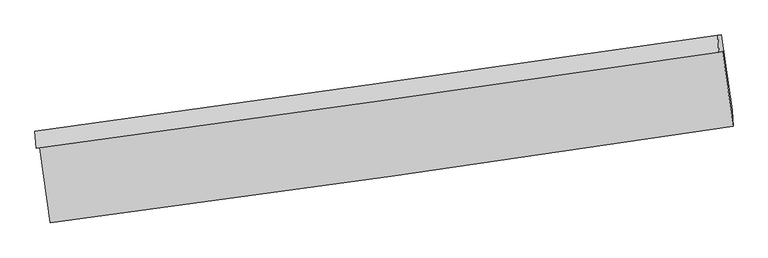
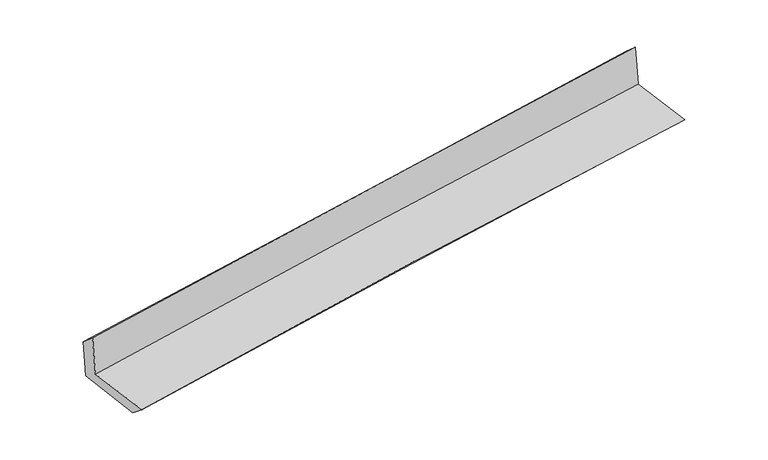
"""IFC4 building model written with IfcOpenShell, lengths in millimetres: proxy geometry."""

from ifc_helpers import new_model, si_unit, frame, origin, place, context, project, spatial, source, transform, mapped, element, save
from ifc_brep_helpers import plane_surface, spline_curve, spline_surface, advanced_brep


def generic_models_5bcdbee6(model_context):
    return source(origin(), model_context, "Body", "AdvancedBrep", [
        advanced_brep(
        [(-3003.5200382, -1921.4192744, 1639.7999057), (-2912.0112587, -2576.939012, 1625.4827389), (3051.5979156, -1735.509139, 2122.3607832), (2960.0735085, -1080.1627489, 2137.1530361), (-3036.3394864, -1928.114469, 2045.5107738), (2927.2810359, -1086.8524405, 2542.5304341), (-3045.8695884, -1778.3152605, 1911.9324918), (2917.8831923, -941.9598335, 2415.4904983), (-3015.5969589, -1774.0414729, 1540.8558945), (2949.4053031, -937.5096483, 2029.097977), (-2922.196408, -2433.1242447, 1509.694945), (3042.7956413, -1596.5203535, 1997.9404348)],
        [
            (0, 1),
            (1, 2, spline_curve(3, [(-2912.0112587, -2576.939012, 1625.4827389), (-1919.366998698, -2446.006191298, 1739.29739105), (-926.080171751, -2310.421035821, 1837.611078327), (1061.789538676, -2029.944513676, 2003.237433922), (2056.372436512, -1885.053044812, 2070.549761162), (3051.5979156, -1735.509139, 2122.3607832)], [4, 2, 4], [0.0, 9.914147665627628, 19.828404280165024])),
            (2, 3),
            (3, 0, spline_curve(3, [(2960.0735085, -1080.1627489, 2137.1530361), (1965.466539233, -1225.957967543, 2071.694756285), (971.194196705, -1368.960657352, 1997.519246767), (-1016.670311409, -1649.379437862, 1831.734678351), (-2010.262484727, -1786.79559002, 1740.125811368), (-3003.5200382, -1921.4192744, 1639.7999057)], [4, 2, 4], [0.0, 9.914256614537397, 19.828404280165024])),
            (4, 0),
            (3, 5),
            (5, 4, spline_curve(3, [(2927.2810359, -1086.8524405, 2542.5304341), (1933.461036373, -1232.487116649, 2467.343709438), (939.57992864, -1375.409994215, 2388.331793733), (-1048.293580094, -1655.830610789, 2222.658489374), (-2042.285979858, -1793.328409494, 2135.997185161), (-3036.3394864, -1928.114469, 2045.5107738)], [4, 2, 4], [0.0, 9.913567522728739, 19.82702610412022])),
            (6, 4),
            (5, 7),
            (7, 6, spline_curve(3, [(2917.8831923, -941.9598335, 2415.4904983), (1924.221940156, -1085.026152797, 2334.140088159), (930.409183841, -1226.255970981, 2251.501478456), (-1057.508412854, -1505.04107301, 2083.648781225), (-2051.613250483, -1642.596397091, 1998.434722159), (-3045.8695884, -1778.3152605, 1911.9324918)], [4, 2, 4], [0.0, 9.913396727572986, 19.8266845156856])),
            (8, 6),
            (7, 9),
            (9, 8, spline_curve(3, [(2949.4053031, -937.5096483, 2029.097977), (1955.669719405, -1080.586461608, 1948.658709615), (961.715673317, -1221.836226492, 1867.752009393), (-1026.618419041, -1500.680127976, 1705.004638237), (-2020.998459996, -1638.274304586, 1623.163977424), (-3015.5969589, -1774.0414729, 1540.8558945)], [4, 2, 4], [0.0, 9.913336559361914, 19.826564179924652])),
            (10, 8),
            (9, 11),
            (11, 10, spline_curve(3, [(3042.7956413, -1596.5203535, 1997.9404348), (2048.125664643, -1733.003606168, 1917.812905842), (1053.705275726, -1870.962614371, 1837.061790241), (-934.625401869, -2149.830610764, 1674.313280195), (-1928.535695959, -2290.739566123, 1592.315899165), (-2922.196408, -2433.1242447, 1509.694945)], [4, 2, 4], [0.0, 9.913326868891238, 19.82654479908979])),
            (1, 10),
            (11, 2),
        ],
        [
            spline_surface(3, 3, [[(-3003.5200382, -1921.4192744, 1639.7999057), (-2010.262484683, -1786.795589935, 1740.125811208), (-1016.670311447, -1649.379437838, 1831.734678359), (971.194196743, -1368.960657376, 1997.519246759), (1965.466539118, -1225.957967647, 2071.694756384), (2960.0735085, -1080.1627489, 2137.1530361)], [(-2973.017111712, -2139.925853612, 1635.027516776), (-1979.963989418, -2006.532457088, 1739.849671152), (-986.473598256, -1869.726637185, 1833.693478397), (1001.39264409, -1589.288609511, 1999.425309146), (1995.768504952, -1445.65632675, 2071.313091325), (2990.581644225, -1298.6115456, 2132.22228512)], [(-2942.514185188, -2358.432432788, 1630.255127824), (-1949.665494116, -2226.269324205, 1739.573531069), (-956.276885058, -2090.07383645, 1835.652278363), (1031.591091445, -1809.616561565, 2001.33137146), (2026.070470711, -1665.354685854, 2070.931426305), (3021.089779875, -1517.0603423, 2127.29153418)], [(-2912.0112587, -2576.939012, 1625.4827389), (-1919.36699885, -2446.006191358, 1739.297391013), (-926.080171867, -2310.421035797, 1837.611078401), (1061.789538792, -2029.9445137, 2003.237433847), (2056.372436545, -1885.053044958, 2070.549761246), (3051.5979156, -1735.509139, 2122.3607832)]], [4, 4], [4, 2, 4], [0.0, 2.1890320375069767], [0.0, 9.914147665627628, 19.828404280165024]),
            spline_surface(3, 3, [[(-3036.3394864, -1928.114469, 2045.5107738), (-2042.285979926, -1793.328409472, 2135.997185254), (-1048.293580109, -1655.830610796, 2222.658489464), (939.579928655, -1375.409994209, 2388.331793643), (1933.461036297, -1232.48711676, 2467.343709516), (2927.2810359, -1086.8524405, 2542.5304341)], [(-3025.399670335, -1925.882737463, 1910.273817755), (-2031.611481513, -1791.150802956, 2004.04006056), (-1037.752490567, -1653.680219799, 2092.350552413), (950.118018006, -1373.260215254, 2258.060944665), (1944.129537226, -1230.310733735, 2335.460725131), (2938.211860089, -1084.622543313, 2407.404634758)], [(-3014.459854265, -1923.651005937, 1775.036861745), (-2020.936983095, -1788.973196451, 1872.082935902), (-1027.211400989, -1651.529828835, 1962.04261541), (960.656107392, -1371.110436331, 2127.790095736), (1954.798038189, -1228.134350671, 2203.57774077), (2949.142684311, -1082.392646087, 2272.278835442)], [(-3003.5200382, -1921.4192744, 1639.7999057), (-2010.262484683, -1786.795589935, 1740.125811208), (-1016.670311447, -1649.379437838, 1831.734678359), (971.194196743, -1368.960657376, 1997.519246759), (1965.466539118, -1225.957967647, 2071.694756384), (2960.0735085, -1080.1627489, 2137.1530361)]], [4, 4], [4, 2, 4], [0.0, 1.2867389037131085], [0.0, 9.91345858139148, 19.82702610412022]),
            spline_surface(3, 3, [[(-3045.8695884, -1778.3152605, 1911.9324918), (-2051.613250447, -1642.596397181, 1998.434722322), (-1057.508412952, -1505.041072978, 2083.648781267), (930.40918394, -1226.255971013, 2251.501478415), (1924.221940021, -1085.026152871, 2334.140088299), (2917.8831923, -941.9598335, 2415.4904983)], [(-3042.692887736, -1828.248330007, 1956.45858581), (-2048.504160276, -1692.840401285, 2044.288876642), (-1054.436802018, -1555.304252244, 2129.98535066), (933.466098831, -1275.973978738, 2297.111583484), (1927.301638769, -1134.179807481, 2378.541295387), (2921.015806822, -990.257369147, 2457.837143582)], [(-3039.516187064, -1878.181399493, 2000.98467979), (-2045.395070096, -1743.084405369, 2090.143030933), (-1051.365191043, -1605.56743153, 2176.321920071), (936.523013764, -1325.691986483, 2342.721688573), (1930.38133755, -1183.33346215, 2422.942502428), (2924.148421378, -1038.554904853, 2500.183788818)], [(-3036.3394864, -1928.114469, 2045.5107738), (-2042.285979926, -1793.328409472, 2135.997185254), (-1048.293580109, -1655.830610796, 2222.658489464), (939.579928655, -1375.409994209, 2388.331793643), (1933.461036297, -1232.48711676, 2467.343709516), (2927.2810359, -1086.8524405, 2542.5304341)]], [4, 4], [4, 2, 4], [0.0, 0.6691463059630448], [0.0, 9.913287788112614, 19.8266845156856]),
            spline_surface(3, 3, [[(-3015.5969589, -1774.0414729, 1540.8558945), (-2020.998460127, -1638.274304472, 1623.163977544), (-1026.618418936, -1500.680127913, 1705.004638249), (961.715673212, -1221.836226555, 1867.752009381), (1955.669719327, -1080.586461541, 1948.658709458), (2949.4053031, -937.5096483, 2029.097977)], [(-3025.687835384, -1775.46606877, 1664.548093612), (-2031.203390218, -1639.715002045, 1748.254225815), (-1036.915083577, -1502.13377626, 1831.219352597), (951.280176819, -1223.3094747, 1995.668499068), (1945.187126222, -1082.066358641, 2077.152502394), (2938.897932831, -938.993043356, 2157.895484089)], [(-3035.778711916, -1776.89066463, 1788.240292688), (-2041.408320356, -1641.155699608, 1873.344474051), (-1047.211748311, -1503.58742463, 1957.434066919), (940.844680333, -1224.782722868, 2123.584988728), (1934.704533126, -1083.546255771, 2205.646295363), (2928.390562569, -940.476438444, 2286.692991211)], [(-3045.8695884, -1778.3152605, 1911.9324918), (-2051.613250447, -1642.596397181, 1998.434722322), (-1057.508412952, -1505.041072978, 2083.648781267), (930.40918394, -1226.255971013, 2251.501478415), (1924.221940021, -1085.026152871, 2334.140088299), (2917.8831923, -941.9598335, 2415.4904983)]], [4, 4], [4, 2, 4], [0.0, 1.2548833140202007], [0.0, 9.913227620562738, 19.826564179924652]),
            spline_surface(3, 3, [[(-2922.196408, -2433.1242447, 1509.694945), (-1928.535696005, -2290.739565959, 1592.315899072), (-934.625401873, -2149.830610646, 1674.31328006), (1053.705275731, -1870.962614489, 1837.061790376), (2048.12566472, -1733.003606047, 1917.812905966), (3042.7956413, -1596.5203535, 1997.9404348)], [(-2953.329924964, -2213.429987434, 1520.081928159), (-1959.356617376, -2073.251145463, 1602.598591889), (-965.289740904, -1933.447116426, 1684.543732773), (1023.042074881, -1654.587151868, 1847.291863362), (2017.307016283, -1515.531224555, 1928.09484047), (3011.665528594, -1376.850118443, 2008.326282207)], [(-2984.463441936, -1993.735730166, 1530.468911341), (-1990.177538756, -1855.762724967, 1612.881284728), (-995.954079905, -1717.063622134, 1694.774185535), (992.378874062, -1438.211689176, 1857.521936396), (1986.488367764, -1298.058843033, 1938.376774954), (2980.535415806, -1157.179883357, 2018.712129593)], [(-3015.5969589, -1774.0414729, 1540.8558945), (-2020.998460127, -1638.274304472, 1623.163977544), (-1026.618418936, -1500.680127913, 1705.004638249), (961.715673212, -1221.836226555, 1867.752009381), (1955.669719327, -1080.586461541, 1948.658709458), (2949.4053031, -937.5096483, 2029.097977)]], [4, 4], [4, 2, 4], [0.0, 2.1533535496826044], [0.0, 9.91321793019855, 19.82654479908979]),
            spline_surface(3, 3, [[(-2912.0112587, -2576.939012, 1625.4827389), (-1919.36699885, -2446.006191358, 1739.297391013), (-926.080171867, -2310.421035797, 1837.611078401), (1061.789538792, -2029.9445137, 2003.237433847), (2056.372436545, -1885.053044958, 2070.549761246), (3051.5979156, -1735.509139, 2122.3607832)], [(-2915.406308468, -2529.000756215, 1586.886807589), (-1922.423231237, -2394.250649539, 1690.303560355), (-928.928581862, -2256.890894054, 1783.17847896), (1059.094784446, -1976.95054727, 1947.845552696), (2053.623512575, -1834.369898662, 2019.637476163), (3048.663824139, -1689.17954384, 2080.887333744)], [(-2918.801358232, -2481.062500485, 1548.290876311), (-1925.479463619, -2342.495107777, 1641.309729731), (-931.776991878, -2203.360752389, 1728.745879501), (1056.400030077, -1923.956580919, 1892.453671528), (2050.874588689, -1783.686752344, 1968.725191049), (3045.729732761, -1642.84994866, 2039.413884256)], [(-2922.196408, -2433.1242447, 1509.694945), (-1928.535696005, -2290.739565959, 1592.315899072), (-934.625401873, -2149.830610646, 1674.31328006), (1053.705275731, -1870.962614489, 1837.061790376), (2048.12566472, -1733.003606047, 1917.812905966), (3042.7956413, -1596.5203535, 1997.9404348)]], [4, 4], [4, 2, 4], [0.0, 0.7534435940619223], [0.0, 9.913606783149682, 19.827322509265247]),
            plane_surface(frame((2974.8394328, -1229.7523606, 2207.4288606), z_axis=(0.9872960640584824, 0.13603047779938324, 0.08211084583842043), x_axis=(-0.08130505674620815, -0.011478373384311133, 0.9966231658415061))),
            plane_surface(frame((-2989.2556231, -2068.6589556, 1712.2127916), z_axis=(-0.987296064058563, -0.13603047779899827, -0.08211084583808724), x_axis=(-0.1382243246495594, 0.9901648077978383, 0.021626129423527228))),
        ],
        [
            (0, [[1, 2, 3, 4]]),
            (1, [[5, -4, 6, 7]]),
            (2, [[8, -7, 9, 10]]),
            (3, [[11, -10, 12, 13]]),
            (4, [[14, -13, 15, 16]]),
            (5, [[17, -16, 18, -2]]),
            (6, [[-12, -9, -6, -3, -18, -15]]),
            (7, [[-1, -5, -8, -11, -14, -17]]),
        ],
    ),
    ])


if __name__ == "__main__":
    model = new_model("IFC4")
    model_context = context("Model", 3, world=origin())
    ifc_project = project(units=[si_unit("LENGTHUNIT", "METRE", prefix="MILLI")], contexts=[model_context])
    site = spatial("IfcSite", under=ifc_project)
    building = spatial("IfcBuilding", under=site)
    placement = place(None, origin())
    generic_models_shape = generic_models_5bcdbee6(model_context)
    element("IfcBuildingElementProxy", 1, Name="Generic Models", at=placement, inside=building, context=model_context, shape_type="MappedRepresentation", body=[
        mapped(generic_models_shape, transform((0.0, 0.0, 0.0), x_axis=(1.0, 0.0, 0.0), y_axis=(0.0, 1.0, 0.0), z_axis=(0.0, 0.0, 1.0))),
    ])
    save(model, "model.ifc")
